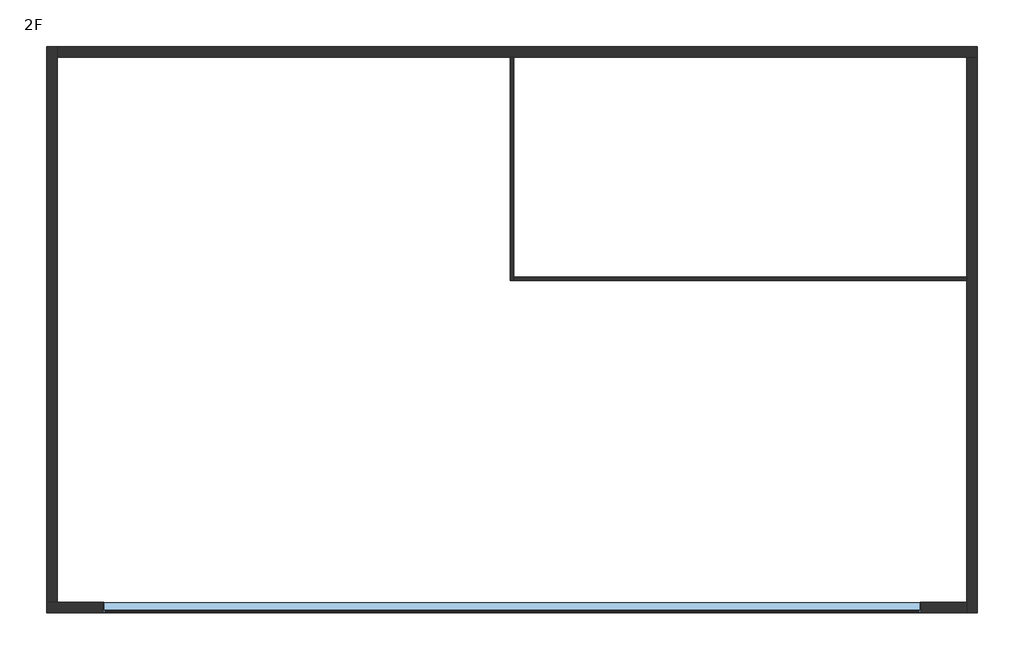
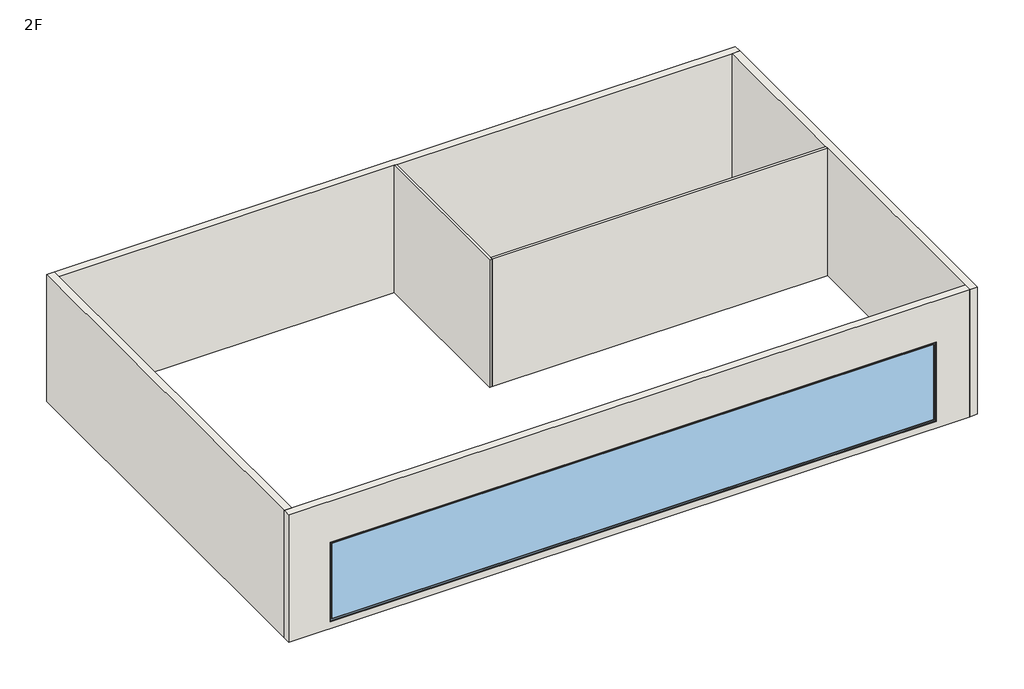
# One storey: 6 walls, 1 window.
"""IFC4 building model written with IfcOpenShell, lengths in millimetres."""

import ifcopenshell
import ifcopenshell.guid

model = None  # the IFC model being written
_history = None  # IfcOwnerHistory: only IFC2X3 demands one
_inside = {}  # id of a spatial element -> (the spatial element, [elements in it])
_under = {}  # id of a project, library or spatial element -> (it, [spatial elements below it])
_declared = {}  # id of a project -> (the project, [libraries it declares])
_typed = {}  # id of a type object -> (the type object, [elements of that type])
_made_of = {}  # id of a material, layer set ... -> (it, [elements and type objects made of it])


def new_model(schema):
    """Start an empty IFC model of exactly this schema.

    Asked for "IFC4X3", IfcOpenShell would pick the latest addendum, in which some entities
    have other attributes; the version numbers below select the first issue.
    IFC2X3 requires an IfcOwnerHistory on every rooted entity: one is made here for all.
    """
    global model, _history
    if schema == "IFC4X3":
        model = ifcopenshell.file(schema_version=(4, 3, 0, 0))
    else:
        model = ifcopenshell.file(schema=schema)
    _inside.clear()
    _under.clear()
    _declared.clear()
    _typed.clear()
    _made_of.clear()
    _history = None
    if model.schema == "IFC2X3":
        org = make("IfcOrganization", Name="unknown")
        user = make(
            "IfcPersonAndOrganization",
            ThePerson=make("IfcPerson", FamilyName="unknown"),
            TheOrganization=org,
        )
        app = make(
            "IfcApplication",
            ApplicationDeveloper=org,
            Version="unknown",
            ApplicationFullName="unknown",
            ApplicationIdentifier="unknown",
        )
        _history = make(
            "IfcOwnerHistory",
            OwningUser=user,
            OwningApplication=app,
            ChangeAction="ADDED",
            CreationDate=0,
        )
    return model


def make(cls, **values):
    """One entity of the class cls with the attributes given. An attribute that is None is left unset."""
    return model.create_entity(
        cls, **{name: value for name, value in values.items() if value is not None}
    )


def rooted(cls, **values):
    """An entity with a GlobalId (a new one), such as an element, a storey or a relation."""
    return make(cls, GlobalId=ifcopenshell.guid.new(), OwnerHistory=_history, **values)


def si_unit(unit_type, name, prefix=None):
    """IfcSIUnit, for example si_unit("LENGTHUNIT", "METRE", prefix="MILLI")."""
    return make("IfcSIUnit", UnitType=unit_type, Prefix=prefix, Name=name)


def assignment(units):
    """IfcUnitAssignment: the units of a project."""
    return None if units is None else make("IfcUnitAssignment", Units=units)


def point(xyz):
    """IfcCartesianPoint."""
    return None if xyz is None else make("IfcCartesianPoint", Coordinates=xyz)


def direction(xyz):
    """IfcDirection."""
    return None if xyz is None else make("IfcDirection", DirectionRatios=xyz)


def frame(location, z_axis=None, x_axis=None):
    """IfcAxis2Placement3D, a coordinate frame: its origin and axes. An axis left out is left unset."""
    return make(
        "IfcAxis2Placement3D",
        Location=point(location),
        Axis=direction(z_axis),
        RefDirection=direction(x_axis),
    )


def origin():
    """The frame at (0, 0, 0) with its axes left unset."""
    return frame((0.0, 0.0, 0.0))


def place(relative_to, where):
    """IfcLocalPlacement: puts the frame where relative to a parent placement (None: the world)."""
    return make(
        "IfcLocalPlacement", PlacementRelTo=relative_to, RelativePlacement=where
    )


def context(
    kind, dimensions, precision=None, world=None, true_north=None, identifier=None
):
    """IfcGeometricRepresentationContext, for example the 3D "Model" context."""
    return make(
        "IfcGeometricRepresentationContext",
        ContextIdentifier=identifier,
        ContextType=kind,
        CoordinateSpaceDimension=dimensions,
        Precision=precision,
        WorldCoordinateSystem=world,
        TrueNorth=true_north,
    )


def project(units=None, contexts=None):
    """IfcProject with its units and contexts."""
    return rooted(
        "IfcProject",
        Name="project",
        RepresentationContexts=contexts,
        UnitsInContext=assignment(units),
    )


def spatial(cls, under=None, at=None, **own):
    """A site, building, storey or space (cls), placed at a placement, below another one or the project."""
    s = rooted(cls, ObjectPlacement=at, **own)
    if under is not None:
        _under.setdefault(under.id(), (under, []))[1].append(s)
    return s


def polyline(points):
    """IfcPolyline through the points."""
    return make("IfcPolyline", Points=[point(p) for p in points])


def outline(outer, holes=None, kind="AREA"):
    """IfcArbitraryClosedProfileDef: a profile drawn as a closed curve; with holes, ...WithVoids."""
    if holes is None:
        return make("IfcArbitraryClosedProfileDef", ProfileType=kind, OuterCurve=outer)
    return make(
        "IfcArbitraryProfileDefWithVoids",
        ProfileType=kind,
        OuterCurve=outer,
        InnerCurves=holes,
    )


def extrude(swept, where, along, depth):
    """IfcExtrudedAreaSolid: the profile swept, set in the frame where, extruded along a direction by depth."""
    return make(
        "IfcExtrudedAreaSolid",
        SweptArea=swept,
        Position=where,
        ExtrudedDirection=direction(along),
        Depth=depth,
    )


def faces_of(points, faces, orient=None, outer=None):
    """IfcFace entities. A face is a list of loops; a loop is a list of indices into points, from 0.

    orient and outer hold one flag for each loop. By default every Orientation is true, the
    first loop of a face is its IfcFaceOuterBound and the others are IfcFaceBound.
    """
    made = []
    for i, loops in enumerate(faces):
        bounds = []
        for j, loop in enumerate(loops):
            is_outer = j == 0 if outer is None else outer[i][j]
            bounds.append(
                make(
                    "IfcFaceOuterBound" if is_outer else "IfcFaceBound",
                    Bound=make("IfcPolyLoop", Polygon=[points[k] for k in loop]),
                    Orientation=True if orient is None else orient[i][j],
                )
            )
        made.append(make("IfcFace", Bounds=bounds))
    return made


def faceted_brep(points, faces, orient=None, outer=None, voids=None):
    """IfcFacetedBrep: a solid bounded by flat faces; with voids (closed shells), ...WithVoids."""
    shared = [point(p) for p in points]
    hull = make("IfcClosedShell", CfsFaces=faces_of(shared, faces, orient, outer))
    if voids is None:
        return make("IfcFacetedBrep", Outer=hull)
    return make(
        "IfcFacetedBrepWithVoids",
        Outer=hull,
        Voids=[
            make(cls, CfsFaces=faces_of(shared, fs, o, b)) for cls, fs, o, b in voids
        ],
    )


def shape(context_of_items, identifier, shape_type, items):
    """IfcShapeRepresentation: the items that make up one representation, for example the "Body"."""
    return make(
        "IfcShapeRepresentation",
        ContextOfItems=context_of_items,
        RepresentationIdentifier=identifier,
        RepresentationType=shape_type,
        Items=items,
    )


def source(mapping_origin, context_of_items, identifier, shape_type, items):
    """IfcRepresentationMap: a shape defined once, which mapped items show again and again."""
    return make(
        "IfcRepresentationMap",
        MappingOrigin=mapping_origin,
        MappedRepresentation=shape(context_of_items, identifier, shape_type, items),
    )


def transform(
    local_origin,
    x_axis=None,
    y_axis=None,
    z_axis=None,
    scale=None,
    scale2=None,
    scale3=None,
    uniform=True,
):
    """IfcCartesianTransformationOperator3D, or its non-uniform kind. x_axis, y_axis, z_axis: its Axis1, 2, 3."""
    if uniform:
        return make(
            "IfcCartesianTransformationOperator3D",
            Axis1=direction(x_axis),
            Axis2=direction(y_axis),
            LocalOrigin=point(local_origin),
            Scale=scale,
            Axis3=direction(z_axis),
        )
    return make(
        "IfcCartesianTransformationOperator3DnonUniform",
        Axis1=direction(x_axis),
        Axis2=direction(y_axis),
        LocalOrigin=point(local_origin),
        Scale=scale,
        Axis3=direction(z_axis),
        Scale2=scale2,
        Scale3=scale3,
    )


def mapped(mapping_source, mapping_target):
    """IfcMappedItem: shows the shape of a source again, moved by a transform."""
    return make(
        "IfcMappedItem", MappingSource=mapping_source, MappingTarget=mapping_target
    )


def made_of(thing, what):
    """Note that an element or type object is made of a material, layer set ...; save() writes the relation."""
    if what is not None:
        _made_of.setdefault(what.id(), (what, []))[1].append(thing)
    return thing


def element(
    cls,
    number,
    at=None,
    inside=None,
    cuts=None,
    type_object=None,
    material=None,
    context=None,
    identifier="Body",
    shape_type=None,
    held_by="IfcProductDefinitionShape",
    body=None,
    shapes=None,
    **own,
):
    """One element of the class cls, such as IfcWall. Its Tag is "e" and its number.

    at: its placement. inside: the storey or other place that contains it. cuts: it is an
    opening in that element (IfcRelVoidsElement). A single representation is given by context,
    identifier, shape_type and body (its items); several are given by shapes. held_by: the class
    of the entity that holds the representations. save() writes the other relations.
    """
    e = rooted(cls, Tag="e%d" % number, ObjectPlacement=at, **own)
    if body is not None:
        shapes = [shape(context, identifier, shape_type, body)]
    if shapes is not None:
        e.Representation = make(held_by, Representations=shapes)
    if inside is not None:
        _inside.setdefault(inside.id(), (inside, []))[1].append(e)
    if cuts is not None:
        rooted(
            "IfcRelVoidsElement", RelatingBuildingElement=cuts, RelatedOpeningElement=e
        )
    if type_object is not None:
        _typed.setdefault(type_object.id(), (type_object, []))[1].append(e)
    return made_of(e, material)


def aggregate(whole, parts):
    """IfcRelAggregates: a whole, such as a stair, and the parts it consists of."""
    return rooted("IfcRelAggregates", RelatingObject=whole, RelatedObjects=parts)


def save(model, path):
    """Write the relations noted so far, then the file.

    IfcRelAggregates (storeys below a building ...), IfcRelContainedInSpatialStructure (elements
    in a storey), IfcRelDefinesByType, IfcRelAssociatesMaterial and IfcRelDeclares: one each for
    every whole, place, type object, material and project.
    """
    for whole, parts in _under.values():
        aggregate(whole, parts)
    for where, things in _inside.values():
        rooted(
            "IfcRelContainedInSpatialStructure",
            RelatedElements=things,
            RelatingStructure=where,
        )
    for kind, things in _typed.values():
        rooted("IfcRelDefinesByType", RelatedObjects=things, RelatingType=kind)
    for what, things in _made_of.values():
        rooted("IfcRelAssociatesMaterial", RelatedObjects=things, RelatingMaterial=what)
    for by, libraries in _declared.values():
        rooted("IfcRelDeclares", RelatingContext=by, RelatedDefinitions=libraries)
    model.write(path)


def window_463e0523(model_context):
    return source(origin(), model_context, "Body", "SweptSolid", [
        extrude(outline(polyline([(-8937.0, 93.0), (8937.0, 93.0), (8937.0, 81.0), (-8937.0, 81.0), (-8937.0, 93.0)])), frame((0.0, 0.0, 263.0), z_axis=(0.0, 0.0, 1.0), x_axis=(1.0, 0.0, 0.0)), (0.0, 0.0, 1.0), 2374.0),
        extrude(outline(polyline([(2681.0, -8981.0), (219.0, -8981.0), (219.0, 8981.0), (2681.0, 8981.0), (2681.0, -8981.0)]), holes=[polyline([(2637.0, -8937.0), (2637.0, 8937.0), (263.0, 8937.0), (263.0, -8937.0), (2637.0, -8937.0)])]), frame((0.0, 65.0, 0.0), z_axis=(0.0, 1.0, 0.0), x_axis=(0.0, 0.0, 1.0)), (0.0, 0.0, 1.0), 44.0),
        extrude(outline(polyline([(2700.0, -9000.0), (200.0, -9000.0), (200.0, 9000.0), (2700.0, 9000.0), (2700.0, -9000.0)]), holes=[polyline([(2681.0, -8981.0), (2681.0, 8981.0), (219.0, 8981.0), (219.0, -8981.0), (2681.0, -8981.0)])]), frame((0.0, 65.0, 0.0), z_axis=(0.0, 1.0, 0.0), x_axis=(0.0, 0.0, 1.0)), (0.0, 0.0, 1.0), 63.0),
        extrude(outline(polyline([(2700.0, -9000.0), (200.0, -9000.0), (200.0, 9000.0), (2700.0, 9000.0), (2700.0, -9000.0)]), holes=[polyline([(2668.0, -8968.0), (2668.0, 8968.0), (232.0, 8968.0), (232.0, -8968.0), (2668.0, -8968.0)])]), frame((0.0, -102.0, 0.0), z_axis=(0.0, 1.0, 0.0), x_axis=(0.0, 0.0, 1.0)), (0.0, 0.0, 1.0), 167.0),
    ])


model = new_model("IFC4")

# Units and contexts
model_context = context("Model", 3, world=origin())
ifc_project = project(units=[si_unit("LENGTHUNIT", "METRE", prefix="MILLI")], contexts=[model_context])

# Site, building, storey
site = spatial("IfcSite", under=ifc_project)
building = spatial("IfcBuilding", under=site)
storey = spatial("IfcBuildingStorey", under=building, Name="2F", Elevation=4000.0)

# Walls
placement = place(None, origin())
element("IfcWall", 1, at=placement, inside=storey, context=model_context, shape_type="Brep", body=[
    faceted_brep([(-10115.6437747, -6100.6095899, 4000.0), (10114.3562253, -6100.6095899, 4000.0), (10114.3562253, -6100.6095899, 8000.0), (-10115.6437747, -6100.6095899, 8000.0), (9114.3562253, -6100.6095899, 4200.0), (-8885.6437747, -6100.6095899, 4200.0), (-8885.6437747, -6100.6095899, 6700.0), (9114.3562253, -6100.6095899, 6700.0), (-10115.6437747, -5870.6095899, 4000.0), (-10115.6437747, -5870.6095899, 8000.0), (-9885.6437747, -5870.6095899, 8000.0), (10114.3562253, -5870.6095899, 8000.0), (10114.3562253, -5870.6095899, 4000.0), (-9885.6437747, -5870.6095899, 4000.0), (9114.3562253, -5870.6095899, 4200.0), (9114.3562253, -5870.6095899, 6700.0), (-8885.6437747, -5870.6095899, 6700.0), (-8885.6437747, -5870.6095899, 4200.0)], [[[0, 1, 2, 3], [4, 5, 6, 7]], [[8, 9, 10, 11, 12, 13], [14, 15, 16, 17]], [[1, 0, 8, 13, 12]], [[3, 2, 11, 10, 9]], [[0, 3, 9, 8]], [[2, 1, 12, 11]], [[15, 14, 4, 7]], [[16, 15, 7, 6]], [[17, 16, 6, 5]], [[14, 17, 5, 4]]]),
])
element("IfcWall", 2, at=placement, inside=storey, context=model_context, shape_type="Brep", body=[
    faceted_brep([(-10115.6437747, 6359.3904101, 4000.0), (-10115.6437747, -5870.6095899, 4000.0), (-10115.6437747, -5870.6095899, 8000.0), (-10115.6437747, 6359.3904101, 8000.0), (-9885.6437747, 6359.3904101, 4000.0), (-9885.6437747, 6359.3904101, 8000.0), (-9885.6437747, 6129.3904101, 8000.0), (-9885.6437747, -5870.6095899, 8000.0), (-9885.6437747, -5870.6095899, 4000.0), (-9885.6437747, 6129.3904101, 4000.0)], [[[0, 1, 2, 3]], [[4, 5, 6, 7, 8, 9]], [[1, 0, 4, 9, 8]], [[3, 2, 7, 6, 5]], [[0, 3, 5, 4]], [[2, 1, 8, 7]]]),
])
element("IfcWall", 3, at=placement, inside=storey, context=model_context, shape_type="Brep", body=[
    faceted_brep([(10344.3562253, 6359.3904101, 4000.0), (-9885.6437747, 6359.3904101, 4000.0), (-9885.6437747, 6359.3904101, 8000.0), (10344.3562253, 6359.3904101, 8000.0), (10344.3562253, 6129.3904101, 4000.0), (10344.3562253, 6129.3904101, 8000.0), (10114.3562253, 6129.3904101, 8000.0), (153.8562253, 6129.3904101, 8000.0), (74.8562253, 6129.3904101, 8000.0), (-9885.6437747, 6129.3904101, 8000.0), (-9885.6437747, 6129.3904101, 4000.0), (74.8562253, 6129.3904101, 4000.0), (153.8562253, 6129.3904101, 4000.0), (10114.3562253, 6129.3904101, 4000.0)], [[[0, 1, 2, 3]], [[4, 5, 6, 7, 8, 9, 10, 11, 12, 13]], [[1, 0, 4, 13, 12, 11, 10]], [[3, 2, 9, 8, 7, 6, 5]], [[0, 3, 5, 4]], [[2, 1, 10, 9]]]),
])
element("IfcWall", 4, at=placement, inside=storey, context=model_context, shape_type="Brep", body=[
    faceted_brep([(10344.3562253, -6100.6095899, 4000.0), (10344.3562253, 6129.3904101, 4000.0), (10344.3562253, 6129.3904101, 8000.0), (10344.3562253, -6100.6095899, 8000.0), (10114.3562253, -6100.6095899, 4000.0), (10114.3562253, -6100.6095899, 8000.0), (10114.3562253, -5870.6095899, 8000.0), (10114.3562253, 1214.8904101, 8000.0), (10114.3562253, 1293.8904101, 8000.0), (10114.3562253, 6129.3904101, 8000.0), (10114.3562253, 6129.3904101, 4000.0), (10114.3562253, 1293.8904101, 4000.0), (10114.3562253, 1214.8904101, 4000.0), (10114.3562253, -5870.6095899, 4000.0)], [[[0, 1, 2, 3]], [[4, 5, 6, 7, 8, 9, 10, 11, 12, 13]], [[1, 0, 4, 13, 12, 11, 10]], [[3, 2, 9, 8, 7, 6, 5]], [[0, 3, 5, 4]], [[2, 1, 10, 9]]]),
])
element("IfcWall", 5, at=placement, inside=storey, context=model_context, shape_type="Brep", body=[
    faceted_brep([(74.8562253, 6129.3904101, 4000.0), (74.8562253, 1214.8904101, 4000.0), (74.8562253, 1214.8904101, 8000.0), (74.8562253, 6129.3904101, 8000.0), (153.8562253, 6129.3904101, 4000.0), (153.8562253, 6129.3904101, 8000.0), (153.8562253, 1293.8904101, 8000.0), (153.8562253, 1214.8904101, 8000.0), (153.8562253, 1214.8904101, 4000.0), (153.8562253, 1293.8904101, 4000.0)], [[[0, 1, 2, 3]], [[4, 5, 6, 7, 8, 9]], [[1, 0, 4, 9, 8]], [[3, 2, 7, 6, 5]], [[0, 3, 5, 4]], [[2, 1, 8, 7]]]),
])
element("IfcWall", 6, at=placement, inside=storey, context=model_context, shape_type="SweptSolid", body=[
    extrude(outline(polyline([(10114.3562253, 1214.8904101), (153.8562253, 1214.8904101), (153.8562253, 1293.8904101), (10114.3562253, 1293.8904101), (10114.3562253, 1214.8904101)])), frame((0.0, 0.0, 4000.0), z_axis=(0.0, 0.0, 1.0), x_axis=(1.0, 0.0, 0.0)), (0.0, 0.0, 1.0), 4000.0),
])

# Window
window_shape = window_463e0523(model_context)
element("IfcWindow", 7, at=placement, inside=storey, context=model_context, shape_type="MappedRepresentation", body=[
    mapped(window_shape, transform((114.3562253, -5972.6095899, 4000.0), x_axis=(-1.0, 0.0, 0.0), y_axis=(0.0, -1.0, 0.0), z_axis=(0.0, 0.0, 1.0))),
])

save(model, "model.ifc")
